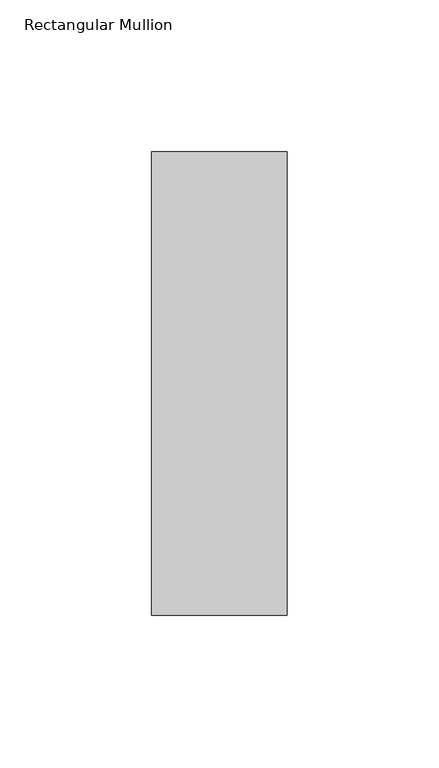
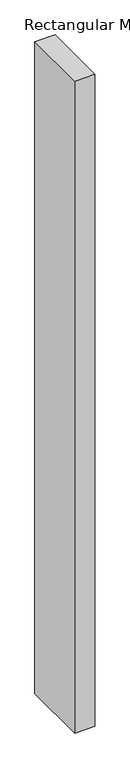
"""IFC4 building model written with IfcOpenShell, lengths in millimetres: member geometry, Rectangular Mullion."""

from ifc_helpers import new_model, si_unit, frame, origin, place, context, project, spatial, polyline, outline, extrude, source, transform, mapped, element, save


def rectangular_mullion_3fd8af0f(model_context):
    return source(origin(), model_context, "Body", "SweptSolid", [
        extrude(outline(polyline([(-44.45, 76.1906616), (0.0, 76.1906616), (0.0, -76.1906616), (-44.45, -76.1906616), (-44.45, 76.1906616)])), frame((0.0, 0.0, -1524.0), z_axis=(0.0, 0.0, 1.0), x_axis=(1.0, 0.0, 0.0)), (0.0, 0.0, 1.0), 1524.0),
    ])


if __name__ == "__main__":
    model = new_model("IFC4")
    model_context = context("Model", 3, world=origin())
    ifc_project = project(units=[si_unit("LENGTHUNIT", "METRE", prefix="MILLI")], contexts=[model_context])
    site = spatial("IfcSite", under=ifc_project)
    building = spatial("IfcBuilding", under=site)
    placement = place(None, origin())
    rectangular_mullion_shape = rectangular_mullion_3fd8af0f(model_context)
    element("IfcMember", 1, ObjectType="Rectangular Mullion", at=placement, inside=building, context=model_context, shape_type="MappedRepresentation", body=[
        mapped(rectangular_mullion_shape, transform((0.0, 0.0, 0.0), x_axis=(1.0, 0.0, 0.0), y_axis=(0.0, 1.0, 0.0), z_axis=(0.0, 0.0, 1.0))),
    ])
    save(model, "model.ifc")
